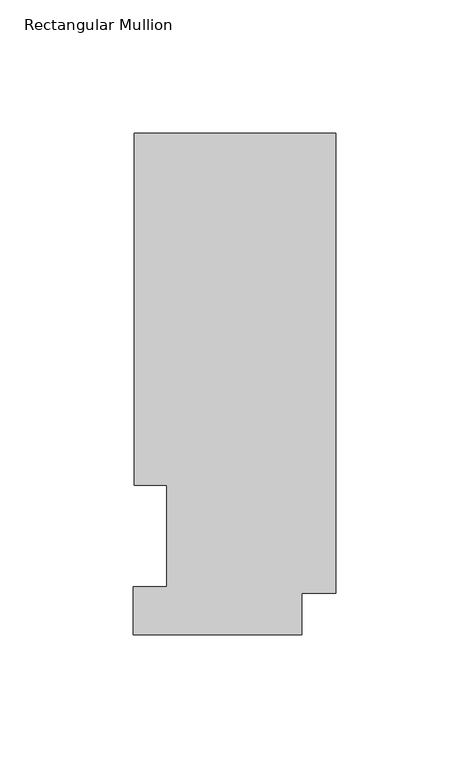
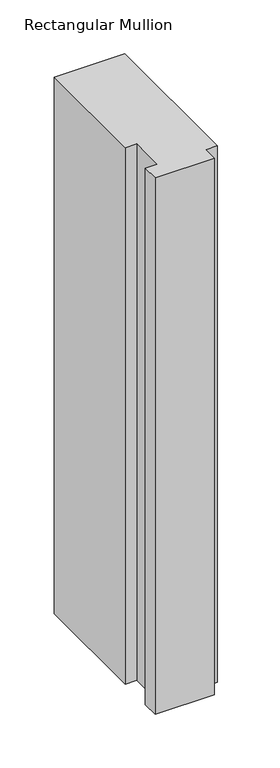
"""IFC4 building model written with IfcOpenShell, lengths in millimetres: member geometry, Rectangular Mullion."""

from ifc_helpers import new_model, si_unit, frame, origin, place, context, project, spatial, polyline, outline, extrude, source, transform, mapped, element, save


def rectangular_mullion_a3bbeab1(model_context):
    return source(origin(), model_context, "Body", "SweptSolid", [
        extrude(outline(polyline([(-12.7, 0.5199063), (-76.2, 0.5199063), (-76.2, 18.5539063), (-63.5, 18.5539062), (-63.5, 56.6539062), (-75.7936, 56.6539063), (-75.7936, 189.0895063), (0.0, 189.0895063), (0.0, 16.1663063), (-12.7, 16.1663063), (-12.7, 0.5199063)])), frame((0.0, 0.0, -609.6), z_axis=(0.0, 0.0, 1.0), x_axis=(1.0, 0.0, 0.0)), (0.0, 0.0, 1.0), 609.6),
    ])


if __name__ == "__main__":
    model = new_model("IFC4")
    model_context = context("Model", 3, world=origin())
    ifc_project = project(units=[si_unit("LENGTHUNIT", "METRE", prefix="MILLI")], contexts=[model_context])
    site = spatial("IfcSite", under=ifc_project)
    building = spatial("IfcBuilding", under=site)
    placement = place(None, origin())
    rectangular_mullion_shape = rectangular_mullion_a3bbeab1(model_context)
    element("IfcMember", 1, ObjectType="Rectangular Mullion", at=placement, inside=building, context=model_context, shape_type="MappedRepresentation", body=[
        mapped(rectangular_mullion_shape, transform((0.0, 0.0, 0.0), x_axis=(1.0, 0.0, 0.0), y_axis=(0.0, 1.0, 0.0), z_axis=(0.0, 0.0, 1.0))),
    ])
    save(model, "model.ifc")
